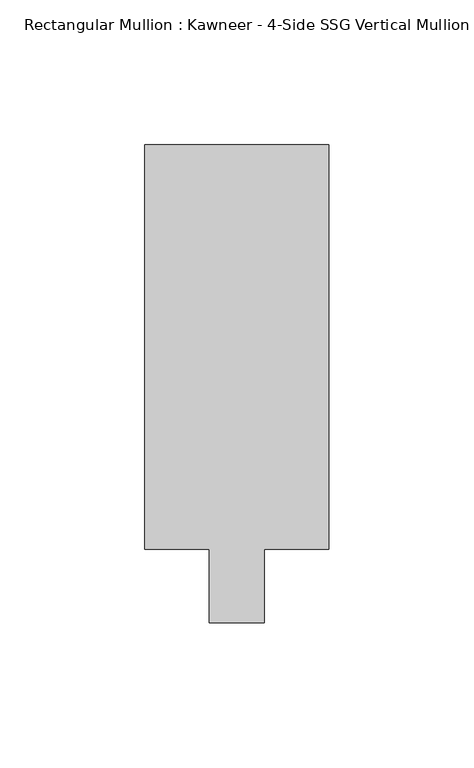
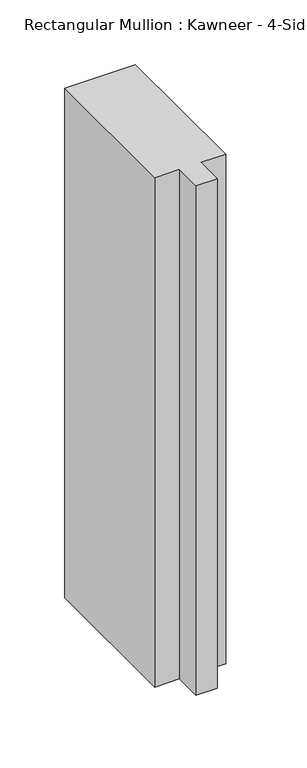
"""IFC4 building model written with IfcOpenShell, lengths in millimetres: member geometry."""

import ifcopenshell
import ifcopenshell.guid

model = None  # the IFC model being written
_history = None  # IfcOwnerHistory: only IFC2X3 demands one
_inside = {}  # id of a spatial element -> (the spatial element, [elements in it])
_under = {}  # id of a project, library or spatial element -> (it, [spatial elements below it])
_declared = {}  # id of a project -> (the project, [libraries it declares])
_typed = {}  # id of a type object -> (the type object, [elements of that type])
_made_of = {}  # id of a material, layer set ... -> (it, [elements and type objects made of it])


def new_model(schema):
    """Start an empty IFC model of exactly this schema.

    Asked for "IFC4X3", IfcOpenShell would pick the latest addendum, in which some entities
    have other attributes; the version numbers below select the first issue.
    IFC2X3 requires an IfcOwnerHistory on every rooted entity: one is made here for all.
    """
    global model, _history
    if schema == "IFC4X3":
        model = ifcopenshell.file(schema_version=(4, 3, 0, 0))
    else:
        model = ifcopenshell.file(schema=schema)
    _inside.clear()
    _under.clear()
    _declared.clear()
    _typed.clear()
    _made_of.clear()
    _history = None
    if model.schema == "IFC2X3":
        org = make("IfcOrganization", Name="unknown")
        user = make(
            "IfcPersonAndOrganization",
            ThePerson=make("IfcPerson", FamilyName="unknown"),
            TheOrganization=org,
        )
        app = make(
            "IfcApplication",
            ApplicationDeveloper=org,
            Version="unknown",
            ApplicationFullName="unknown",
            ApplicationIdentifier="unknown",
        )
        _history = make(
            "IfcOwnerHistory",
            OwningUser=user,
            OwningApplication=app,
            ChangeAction="ADDED",
            CreationDate=0,
        )
    return model


def make(cls, **values):
    """One entity of the class cls with the attributes given. An attribute that is None is left unset."""
    return model.create_entity(
        cls, **{name: value for name, value in values.items() if value is not None}
    )


def rooted(cls, **values):
    """An entity with a GlobalId (a new one), such as an element, a storey or a relation."""
    return make(cls, GlobalId=ifcopenshell.guid.new(), OwnerHistory=_history, **values)


def si_unit(unit_type, name, prefix=None):
    """IfcSIUnit, for example si_unit("LENGTHUNIT", "METRE", prefix="MILLI")."""
    return make("IfcSIUnit", UnitType=unit_type, Prefix=prefix, Name=name)


def assignment(units):
    """IfcUnitAssignment: the units of a project."""
    return None if units is None else make("IfcUnitAssignment", Units=units)


def point(xyz):
    """IfcCartesianPoint."""
    return None if xyz is None else make("IfcCartesianPoint", Coordinates=xyz)


def direction(xyz):
    """IfcDirection."""
    return None if xyz is None else make("IfcDirection", DirectionRatios=xyz)


def frame(location, z_axis=None, x_axis=None):
    """IfcAxis2Placement3D, a coordinate frame: its origin and axes. An axis left out is left unset."""
    return make(
        "IfcAxis2Placement3D",
        Location=point(location),
        Axis=direction(z_axis),
        RefDirection=direction(x_axis),
    )


def origin():
    """The frame at (0, 0, 0) with its axes left unset."""
    return frame((0.0, 0.0, 0.0))


def place(relative_to, where):
    """IfcLocalPlacement: puts the frame where relative to a parent placement (None: the world)."""
    return make(
        "IfcLocalPlacement", PlacementRelTo=relative_to, RelativePlacement=where
    )


def context(
    kind, dimensions, precision=None, world=None, true_north=None, identifier=None
):
    """IfcGeometricRepresentationContext, for example the 3D "Model" context."""
    return make(
        "IfcGeometricRepresentationContext",
        ContextIdentifier=identifier,
        ContextType=kind,
        CoordinateSpaceDimension=dimensions,
        Precision=precision,
        WorldCoordinateSystem=world,
        TrueNorth=true_north,
    )


def project(units=None, contexts=None):
    """IfcProject with its units and contexts."""
    return rooted(
        "IfcProject",
        Name="project",
        RepresentationContexts=contexts,
        UnitsInContext=assignment(units),
    )


def spatial(cls, under=None, at=None, **own):
    """A site, building, storey or space (cls), placed at a placement, below another one or the project."""
    s = rooted(cls, ObjectPlacement=at, **own)
    if under is not None:
        _under.setdefault(under.id(), (under, []))[1].append(s)
    return s


def polyline(points):
    """IfcPolyline through the points."""
    return make("IfcPolyline", Points=[point(p) for p in points])


def outline(outer, holes=None, kind="AREA"):
    """IfcArbitraryClosedProfileDef: a profile drawn as a closed curve; with holes, ...WithVoids."""
    if holes is None:
        return make("IfcArbitraryClosedProfileDef", ProfileType=kind, OuterCurve=outer)
    return make(
        "IfcArbitraryProfileDefWithVoids",
        ProfileType=kind,
        OuterCurve=outer,
        InnerCurves=holes,
    )


def extrude(swept, where, along, depth):
    """IfcExtrudedAreaSolid: the profile swept, set in the frame where, extruded along a direction by depth."""
    return make(
        "IfcExtrudedAreaSolid",
        SweptArea=swept,
        Position=where,
        ExtrudedDirection=direction(along),
        Depth=depth,
    )


def shape(context_of_items, identifier, shape_type, items):
    """IfcShapeRepresentation: the items that make up one representation, for example the "Body"."""
    return make(
        "IfcShapeRepresentation",
        ContextOfItems=context_of_items,
        RepresentationIdentifier=identifier,
        RepresentationType=shape_type,
        Items=items,
    )


def source(mapping_origin, context_of_items, identifier, shape_type, items):
    """IfcRepresentationMap: a shape defined once, which mapped items show again and again."""
    return make(
        "IfcRepresentationMap",
        MappingOrigin=mapping_origin,
        MappedRepresentation=shape(context_of_items, identifier, shape_type, items),
    )


def transform(
    local_origin,
    x_axis=None,
    y_axis=None,
    z_axis=None,
    scale=None,
    scale2=None,
    scale3=None,
    uniform=True,
):
    """IfcCartesianTransformationOperator3D, or its non-uniform kind. x_axis, y_axis, z_axis: its Axis1, 2, 3."""
    if uniform:
        return make(
            "IfcCartesianTransformationOperator3D",
            Axis1=direction(x_axis),
            Axis2=direction(y_axis),
            LocalOrigin=point(local_origin),
            Scale=scale,
            Axis3=direction(z_axis),
        )
    return make(
        "IfcCartesianTransformationOperator3DnonUniform",
        Axis1=direction(x_axis),
        Axis2=direction(y_axis),
        LocalOrigin=point(local_origin),
        Scale=scale,
        Axis3=direction(z_axis),
        Scale2=scale2,
        Scale3=scale3,
    )


def mapped(mapping_source, mapping_target):
    """IfcMappedItem: shows the shape of a source again, moved by a transform."""
    return make(
        "IfcMappedItem", MappingSource=mapping_source, MappingTarget=mapping_target
    )


def made_of(thing, what):
    """Note that an element or type object is made of a material, layer set ...; save() writes the relation."""
    if what is not None:
        _made_of.setdefault(what.id(), (what, []))[1].append(thing)
    return thing


def element(
    cls,
    number,
    at=None,
    inside=None,
    cuts=None,
    type_object=None,
    material=None,
    context=None,
    identifier="Body",
    shape_type=None,
    held_by="IfcProductDefinitionShape",
    body=None,
    shapes=None,
    **own,
):
    """One element of the class cls, such as IfcWall. Its Tag is "e" and its number.

    at: its placement. inside: the storey or other place that contains it. cuts: it is an
    opening in that element (IfcRelVoidsElement). A single representation is given by context,
    identifier, shape_type and body (its items); several are given by shapes. held_by: the class
    of the entity that holds the representations. save() writes the other relations.
    """
    e = rooted(cls, Tag="e%d" % number, ObjectPlacement=at, **own)
    if body is not None:
        shapes = [shape(context, identifier, shape_type, body)]
    if shapes is not None:
        e.Representation = make(held_by, Representations=shapes)
    if inside is not None:
        _inside.setdefault(inside.id(), (inside, []))[1].append(e)
    if cuts is not None:
        rooted(
            "IfcRelVoidsElement", RelatingBuildingElement=cuts, RelatedOpeningElement=e
        )
    if type_object is not None:
        _typed.setdefault(type_object.id(), (type_object, []))[1].append(e)
    return made_of(e, material)


def aggregate(whole, parts):
    """IfcRelAggregates: a whole, such as a stair, and the parts it consists of."""
    return rooted("IfcRelAggregates", RelatingObject=whole, RelatedObjects=parts)


def save(model, path):
    """Write the relations noted so far, then the file.

    IfcRelAggregates (storeys below a building ...), IfcRelContainedInSpatialStructure (elements
    in a storey), IfcRelDefinesByType, IfcRelAssociatesMaterial and IfcRelDeclares: one each for
    every whole, place, type object, material and project.
    """
    for whole, parts in _under.values():
        aggregate(whole, parts)
    for where, things in _inside.values():
        rooted(
            "IfcRelContainedInSpatialStructure",
            RelatedElements=things,
            RelatingStructure=where,
        )
    for kind, things in _typed.values():
        rooted("IfcRelDefinesByType", RelatedObjects=things, RelatingType=kind)
    for what, things in _made_of.values():
        rooted("IfcRelAssociatesMaterial", RelatedObjects=things, RelatingMaterial=what)
    for by, libraries in _declared.values():
        rooted("IfcRelDeclares", RelatingContext=by, RelatedDefinitions=libraries)
    model.write(path)


def member_7c51c7ee(model_context):
    return source(origin(), model_context, "Body", "SweptSolid", [
        extrude(outline(polyline([(-31.75, 152.399995), (31.75, 152.399995), (31.75, 12.7), (9.5251132, 12.7), (9.5251132, -12.7), (-9.5251132, -12.7), (-9.5251132, 12.7), (-31.75, 12.7), (-31.75, 152.399995)])), frame((0.0, 0.0, -482.1103332), z_axis=(0.0, 0.0, 1.0), x_axis=(1.0, 0.0, 0.0)), (0.0, 0.0, 1.0), 482.1103332),
    ])


if __name__ == "__main__":
    model = new_model("IFC4")
    model_context = context("Model", 3, world=origin())
    ifc_project = project(units=[si_unit("LENGTHUNIT", "METRE", prefix="MILLI")], contexts=[model_context])
    site = spatial("IfcSite", under=ifc_project)
    building = spatial("IfcBuilding", under=site)
    placement = place(None, origin())
    member_shape = member_7c51c7ee(model_context)
    element("IfcMember", 1, ObjectType="Rectangular Mullion : Kawneer - 4-Side SSG Vertical Mullion - 6 1/2\"", at=placement, inside=building, context=model_context, shape_type="MappedRepresentation", body=[
        mapped(member_shape, transform((0.0, 0.0, 0.0), x_axis=(1.0, 0.0, 0.0), y_axis=(0.0, 1.0, 0.0), z_axis=(0.0, 0.0, 1.0))),
    ])
    save(model, "model.ifc")
